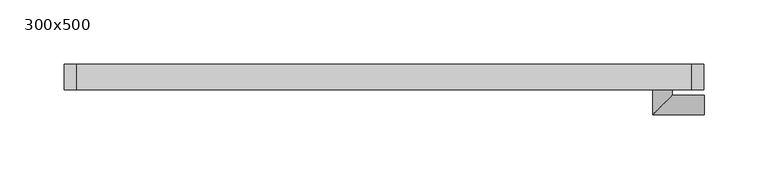
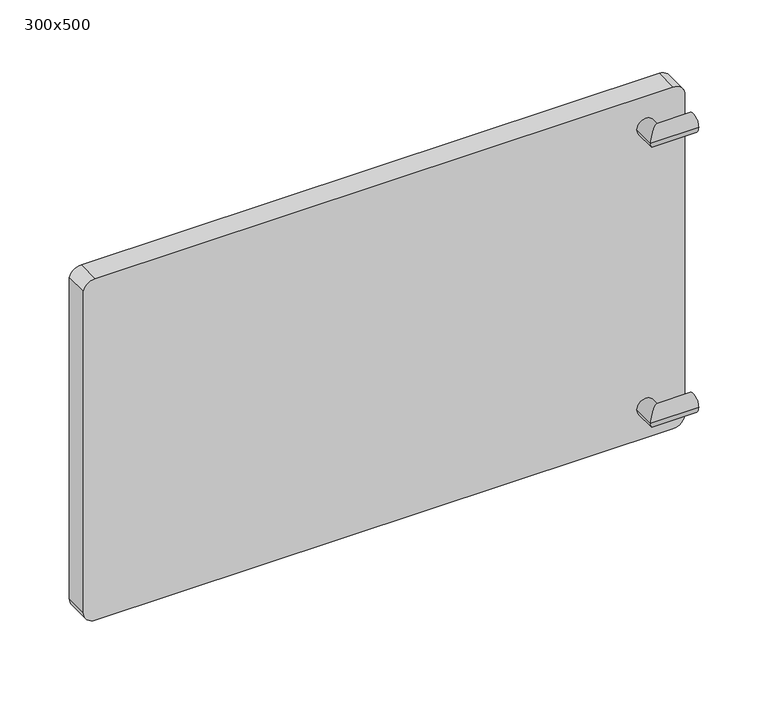
"""IFC4 building model written with IfcOpenShell, lengths in millimetres: proxy geometry, 300x500."""

from ifc_helpers import new_model, si_unit, frame, origin, place, context, project, spatial, circle_curve, ellipse_curve, source, transform, mapped, element, save
from ifc_brep_helpers import plane_surface, cylinder_surface, advanced_brep


def proxy_300x500_cb90515e(model_context):
    return source(origin(), model_context, "Body", "AdvancedBrep", [
        advanced_brep(
        [(210.0, 44.0, 383.0), (225.0, 44.0, 383.0), (210.0, 24.5, 383.0), (225.0, 39.5, 383.0), (250.0, 24.5, 383.0), (250.0, 39.5, 383.0)],
        [
            (0, 1, circle_curve(frame((217.5, 44.0, 383.0), z_axis=(0.0, 1.0, 0.0), x_axis=(1.0, 0.0, 0.0)), 7.5)),
            (1, 0, circle_curve(frame((217.5, 44.0, 383.0), z_axis=(0.0, 1.0, 0.0), x_axis=(1.0, 0.0, 0.0)), 7.5)),
            (0, 2),
            (2, 3, ellipse_curve(frame((217.5, 32.0, 383.0), z_axis=(-0.7071067811865475, 0.7071067811865475, 0.0), x_axis=(0.7071067811865474, 0.7071067811865476, 0.0)), 10.6066017, 7.5)),
            (3, 1),
            (3, 2, ellipse_curve(frame((217.5, 32.0, 383.0), z_axis=(-0.7071067811865475, 0.7071067811865475, 0.0), x_axis=(0.7071067811865474, 0.7071067811865476, 0.0)), 10.6066017, 7.5)),
            (4, 5, circle_curve(frame((250.0, 32.0, 383.0), z_axis=(1.0, 0.0, 0.0), x_axis=(0.0, 1.0, 0.0)), 7.5)),
            (5, 4, circle_curve(frame((250.0, 32.0, 383.0), z_axis=(1.0, 0.0, 0.0), x_axis=(0.0, 1.0, 0.0)), 7.5)),
            (2, 4),
            (5, 3),
        ],
        [
            plane_surface(frame((217.5, 44.0, 383.0), z_axis=(0.0, 1.0, 0.0), x_axis=(0.0, 0.0, 1.0))),
            cylinder_surface(frame((217.5, 44.0, 383.0), z_axis=(0.0, 1.0, 0.0), x_axis=(1.0, 0.0, 0.0)), 7.5),
            plane_surface(frame((250.0, 32.0, 383.0), z_axis=(1.0, 0.0, 0.0), x_axis=(0.0, 0.0, 1.0))),
            cylinder_surface(frame((217.5, 32.0, 383.0), z_axis=(-1.0, 0.0, 0.0), x_axis=(0.0, 1.0, 0.0)), 7.5),
        ],
        [
            (0, [[1, 2]]),
            (1, [[-1, 3, 4, 5]]),
            (1, [[-2, -5, 6, -3]]),
            (2, [[7, 8]]),
            (3, [[-4, 9, -8, 10]]),
            (3, [[-6, -10, -7, -9]]),
        ],
    ),
        advanced_brep(
        [(210.0, 44.0, 137.0), (225.0, 44.0, 137.0), (210.0, 24.5, 137.0), (225.0, 39.5, 137.0), (250.0, 24.5, 137.0), (250.0, 39.5, 137.0)],
        [
            (0, 1, circle_curve(frame((217.5, 44.0, 137.0), z_axis=(0.0, 1.0, 0.0), x_axis=(1.0, 0.0, 0.0)), 7.5)),
            (1, 0, circle_curve(frame((217.5, 44.0, 137.0), z_axis=(0.0, 1.0, 0.0), x_axis=(1.0, 0.0, 0.0)), 7.5)),
            (0, 2),
            (2, 3, ellipse_curve(frame((217.5, 32.0, 137.0), z_axis=(-0.7071067811865475, 0.7071067811865475, 0.0), x_axis=(0.7071067811865474, 0.7071067811865476, 0.0)), 10.6066017, 7.5)),
            (3, 1),
            (3, 2, ellipse_curve(frame((217.5, 32.0, 137.0), z_axis=(-0.7071067811865475, 0.7071067811865475, 0.0), x_axis=(0.7071067811865474, 0.7071067811865476, 0.0)), 10.6066017, 7.5)),
            (4, 5, circle_curve(frame((250.0, 32.0, 137.0), z_axis=(1.0, 0.0, 0.0), x_axis=(0.0, 1.0, 0.0)), 7.5)),
            (5, 4, circle_curve(frame((250.0, 32.0, 137.0), z_axis=(1.0, 0.0, 0.0), x_axis=(0.0, 1.0, 0.0)), 7.5)),
            (2, 4),
            (5, 3),
        ],
        [
            plane_surface(frame((217.5, 44.0, 137.0), z_axis=(0.0, 1.0, 0.0), x_axis=(0.0, 0.0, 1.0))),
            cylinder_surface(frame((217.5, 44.0, 137.0), z_axis=(0.0, 1.0, 0.0), x_axis=(1.0, 0.0, 0.0)), 7.5),
            plane_surface(frame((250.0, 32.0, 137.0), z_axis=(1.0, 0.0, 0.0), x_axis=(0.0, 0.0, 1.0))),
            cylinder_surface(frame((217.5, 32.0, 137.0), z_axis=(-1.0, 0.0, 0.0), x_axis=(0.0, 1.0, 0.0)), 7.5),
        ],
        [
            (0, [[1, 2]]),
            (1, [[-1, 3, 4, 5]]),
            (1, [[-2, -5, 6, -3]]),
            (2, [[7, 8]]),
            (3, [[-4, 9, -8, 10]]),
            (3, [[-6, -10, -7, -9]]),
        ],
    ),
        advanced_brep(
        [(240.0, 64.0, 110.0), (-241.946431, 64.0, 110.0), (-250.0, 64.0, 120.0), (-250.0, 64.0, 402.1317719), (-240.0, 64.0, 410.0), (240.0, 64.0, 410.0), (250.0, 64.0, 401.7644225), (250.0, 64.0, 120.0), (230.0, 64.0, 375.0), (-230.0, 64.0, 375.0), (-230.0, 64.0, 145.0), (230.0, 64.0, 145.0), (240.0, 44.0, 110.0), (250.0, 44.0, 120.0), (250.0, 44.0, 401.7644225), (240.0, 44.0, 410.0), (-240.0, 44.0, 410.0), (-250.0, 44.0, 402.1317719), (-250.0, 44.0, 120.0), (-241.946431, 44.0, 110.0), (230.0, 61.0, 375.0), (230.0, 61.0, 145.0), (-230.0, 61.0, 145.0), (-230.0, 61.0, 375.0)],
        [
            (0, 1),
            (1, 2, circle_curve(frame((-239.7647879, 64.0, 120.0), z_axis=(0.0, 1.0, 0.0), x_axis=(1.0, 0.0, 0.0)), 10.2352121)),
            (2, 3),
            (3, 4, circle_curve(frame((-240.0, 64.0, 399.7112151), z_axis=(0.0, 1.0, 0.0), x_axis=(1.0, 0.0, 0.0)), 10.2887849)),
            (4, 5),
            (5, 6, circle_curve(frame((240.0, 64.0, 399.8109916), z_axis=(0.0, 1.0, 0.0), x_axis=(1.0, 0.0, 0.0)), 10.1890084)),
            (6, 7),
            (7, 0, circle_curve(frame((240.0, 64.0, 120.0), z_axis=(0.0, 1.0, 0.0), x_axis=(1.0, 0.0, 0.0)), 10.0)),
            (8, 9),
            (9, 10),
            (10, 11),
            (11, 8),
            (12, 13, circle_curve(frame((240.0, 44.0, 120.0), z_axis=(0.0, -1.0, 0.0), x_axis=(1.0, 0.0, 0.0)), 10.0)),
            (13, 14),
            (14, 15, circle_curve(frame((240.0, 44.0, 399.8109916), z_axis=(0.0, -1.0, 0.0), x_axis=(1.0, 0.0, 0.0)), 10.1890084)),
            (15, 16),
            (16, 17, circle_curve(frame((-240.0, 44.0, 399.7112151), z_axis=(0.0, -1.0, 0.0), x_axis=(1.0, 0.0, 0.0)), 10.2887849)),
            (17, 18),
            (18, 19, circle_curve(frame((-239.7647879, 44.0, 120.0), z_axis=(0.0, -1.0, 0.0), x_axis=(1.0, 0.0, 0.0)), 10.2352121)),
            (19, 12),
            (6, 14),
            (13, 7),
            (4, 16),
            (15, 5),
            (2, 18),
            (17, 3),
            (0, 12),
            (19, 1),
            (20, 21),
            (21, 22),
            (22, 23),
            (23, 20),
            (23, 9),
            (8, 20),
            (22, 10),
            (21, 11),
        ],
        [
            plane_surface(frame((250.0, 64.0, 120.0), z_axis=(0.0, 1.0, 0.0), x_axis=(0.0, 0.0, -1.0))),
            plane_surface(frame((250.0, 44.0, 120.0), z_axis=(0.0, -1.0, 0.0), x_axis=(0.0, 0.0, 1.0))),
            plane_surface(frame((250.0, 44.0, 120.0), z_axis=(1.0, 0.0, 0.0), x_axis=(0.0, 1.0, 0.0))),
            plane_surface(frame((240.0, 44.0, 410.0), z_axis=(0.0, 0.0, 1.0), x_axis=(0.0, 1.0, 0.0))),
            plane_surface(frame((-250.0, 44.0, 402.1317719), z_axis=(-1.0, 0.0, 0.0), x_axis=(0.0, 1.0, 0.0))),
            plane_surface(frame((-241.946431, 44.0, 110.0), z_axis=(0.0, 0.0, -1.0), x_axis=(0.0, 1.0, 0.0))),
            plane_surface(frame((-230.0, 61.0, 375.0), z_axis=(0.0, 1.0, 0.0), x_axis=(-1.0, 0.0, 0.0))),
            plane_surface(frame((230.0, 61.0, 375.0), z_axis=(0.0, 0.0, -1.0), x_axis=(0.0, 1.0, 0.0))),
            plane_surface(frame((-230.0, 61.0, 375.0), z_axis=(1.0, 0.0, 0.0), x_axis=(0.0, 1.0, 0.0))),
            plane_surface(frame((-230.0, 61.0, 145.0), z_axis=(0.0, 0.0, 1.0), x_axis=(0.0, 1.0, 0.0))),
            plane_surface(frame((230.0, 61.0, 145.0), z_axis=(-1.0, 0.0, 0.0), x_axis=(0.0, 1.0, 0.0))),
            cylinder_surface(frame((240.0, 64.0, 120.0), z_axis=(0.0, -1.0, 0.0), x_axis=(1.0, 0.0, 0.0)), 10.0),
            cylinder_surface(frame((240.0, 64.0, 399.8109916), z_axis=(0.0, -1.0, 0.0), x_axis=(1.0, 0.0, 0.0)), 10.1890084),
            cylinder_surface(frame((-240.0, 64.0, 399.7112151), z_axis=(0.0, -1.0, 0.0), x_axis=(1.0, 0.0, 0.0)), 10.2887849),
            cylinder_surface(frame((-239.7647879, 64.0, 120.0), z_axis=(0.0, -1.0, 0.0), x_axis=(1.0, 0.0, 0.0)), 10.2352121),
        ],
        [
            (0, [[1, 2, 3, 4, 5, 6, 7, 8], [9, 10, 11, 12]]),
            (1, [[13, 14, 15, 16, 17, 18, 19, 20]]),
            (2, [[-7, 21, -14, 22]]),
            (3, [[-5, 23, -16, 24]]),
            (4, [[-3, 25, -18, 26]]),
            (5, [[-1, 27, -20, 28]]),
            (6, [[29, 30, 31, 32]]),
            (7, [[-32, 33, -9, 34]]),
            (8, [[-31, 35, -10, -33]]),
            (9, [[-30, 36, -11, -35]]),
            (10, [[-29, -34, -12, -36]]),
            (11, [[-8, -22, -13, -27]]),
            (12, [[-6, -24, -15, -21]]),
            (13, [[-4, -26, -17, -23]]),
            (14, [[-2, -28, -19, -25]]),
        ],
    ),
    ])


if __name__ == "__main__":
    model = new_model("IFC4")
    model_context = context("Model", 3, world=origin())
    ifc_project = project(units=[si_unit("LENGTHUNIT", "METRE", prefix="MILLI")], contexts=[model_context])
    site = spatial("IfcSite", under=ifc_project)
    building = spatial("IfcBuilding", under=site)
    placement = place(None, origin())
    proxy_300x500_shape = proxy_300x500_cb90515e(model_context)
    element("IfcBuildingElementProxy", 1, Name="300x500", ObjectType="300x500", at=placement, inside=building, context=model_context, shape_type="MappedRepresentation", body=[
        mapped(proxy_300x500_shape, transform((0.0, 0.0, 0.0), x_axis=(1.0, 0.0, 0.0), y_axis=(0.0, 1.0, 0.0), z_axis=(0.0, 0.0, 1.0))),
    ])
    save(model, "model.ifc")
